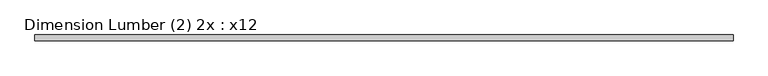
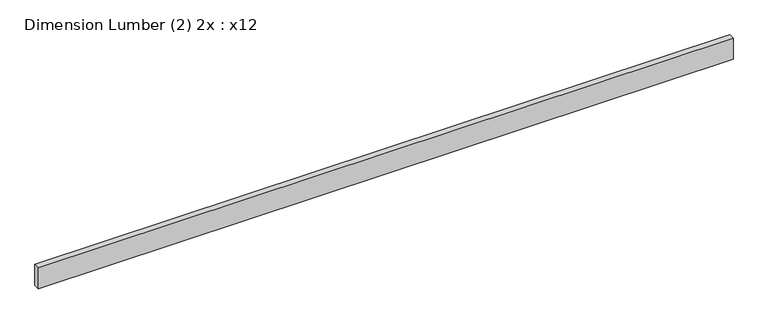
"""IFC4 building model written with IfcOpenShell, lengths in millimetres: beam geometry, Dimension Lumber (2) 2x : x12."""

from ifc_helpers import new_model, si_unit, frame, origin, place, context, project, spatial, polyline, outline, extrude, source, transform, mapped, element, save


def dimension_lumber_2_2x_x12_7906dec1(model_context):
    return source(origin(), model_context, "Body", "SweptSolid", [
        extrude(outline(polyline([(4515.739, 38.1), (4515.739, -38.1), (-4515.739, -38.1), (-4515.739, 38.1), (4515.739, 38.1)])), frame((0.0, 0.0, -142.875), z_axis=(0.0, 0.0, 1.0), x_axis=(1.0, 0.0, 0.0)), (0.0, 0.0, 1.0), 285.75),
    ])


if __name__ == "__main__":
    model = new_model("IFC4")
    model_context = context("Model", 3, world=origin())
    ifc_project = project(units=[si_unit("LENGTHUNIT", "METRE", prefix="MILLI")], contexts=[model_context])
    site = spatial("IfcSite", under=ifc_project)
    building = spatial("IfcBuilding", under=site)
    placement = place(None, origin())
    dimension_lumber_2_2x_x12_shape = dimension_lumber_2_2x_x12_7906dec1(model_context)
    element("IfcBeam", 1, ObjectType="Dimension Lumber (2) 2x : x12", at=placement, inside=building, context=model_context, shape_type="MappedRepresentation", body=[
        mapped(dimension_lumber_2_2x_x12_shape, transform((0.0, 0.0, 0.0), x_axis=(1.0, 0.0, 0.0), y_axis=(0.0, 1.0, 0.0), z_axis=(0.0, 0.0, 1.0))),
    ])
    save(model, "model.ifc")
